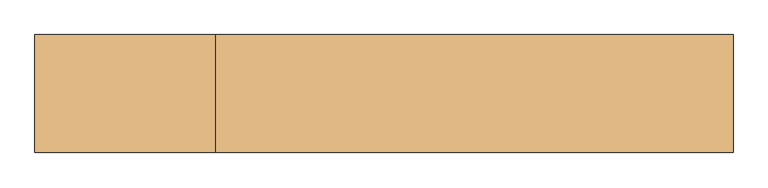
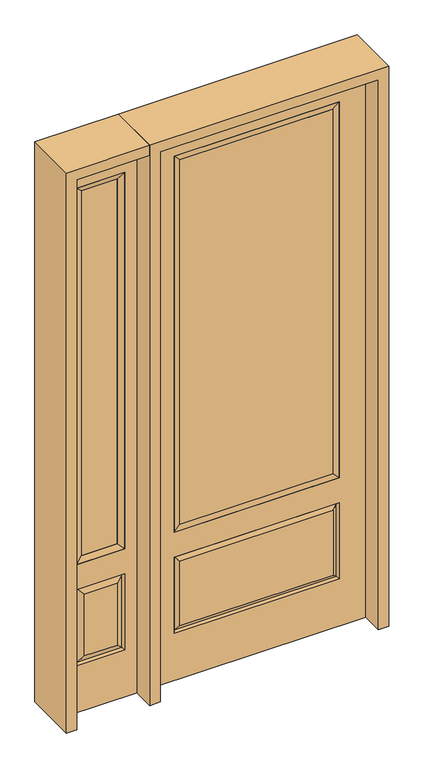
"""IFC4 building model written with IfcOpenShell, lengths in millimetres: door geometry."""

from ifc_helpers import new_model, si_unit, frame, origin, place, context, project, spatial, polyline, outline, extrude, faceted_brep, source, transform, mapped, element, save


def door_937ac8db(model_context):
    return source(origin(), model_context, "Body", "SolidModel", [
        faceted_brep([(-806.45, -22.225, 0.0), (-501.65, -22.225, 0.0), (-501.65, -22.225, 2438.4), (-806.45, -22.225, 2438.4), (-553.72, -22.225, 2325.624), (-553.72, -22.225, 657.098), (-754.38, -22.225, 657.098), (-754.38, -22.225, 2325.624), (-553.72, -22.225, 209.55), (-754.38, -22.225, 209.55), (-754.38, -22.225, 546.1), (-553.72, -22.225, 546.1), (-722.6648999, -22.225, 241.2651001), (-585.4351001, -22.225, 241.2651001), (-585.4351001, -22.225, 514.3848999), (-722.6648999, -22.225, 514.3848999), (-806.45, 22.225, 0.0), (-806.45, 22.225, 2438.4), (-501.65, 22.225, 2438.4), (-501.65, 22.225, 0.0), (-553.72, 22.225, 2325.624), (-754.38, 22.225, 2325.624), (-754.38, 22.225, 657.098), (-553.72, 22.225, 657.098), (-754.38, 22.225, 209.55), (-553.72, 22.225, 209.55), (-553.72, 22.225, 546.1), (-754.38, 22.225, 546.1), (-585.4351001, 22.225, 241.2651001), (-722.6648999, 22.225, 241.2651001), (-722.6648999, 22.225, 514.3848999), (-585.4351001, 22.225, 514.3848999), (-560.8288501, 12.7912373, 216.6588501), (-747.2711499, 12.7912373, 216.6588501), (-747.2711499, 12.7912373, 538.9911499), (-560.8288501, 12.7912373, 538.9911499), (-747.2711499, -12.7912373, 216.6588501), (-560.8288501, -12.7912373, 216.6588501), (-747.2711499, -12.7912373, 538.9911499), (-560.8288501, -12.7912373, 538.9911499)], [[[0, 1, 2, 3], [4, 5, 6, 7], [8, 9, 10, 11]], [[12, 13, 14, 15]], [[16, 17, 18, 19], [20, 21, 22, 23], [24, 25, 26, 27]], [[28, 29, 30, 31]], [[1, 0, 16, 19]], [[2, 1, 19, 18]], [[3, 2, 18, 17]], [[0, 3, 17, 16]], [[5, 4, 20, 23]], [[6, 5, 23, 22]], [[7, 6, 22, 21]], [[4, 7, 21, 20]], [[32, 33, 29, 28]], [[33, 32, 25, 24]], [[29, 33, 34, 30]], [[33, 24, 27, 34]], [[30, 34, 35, 31]], [[34, 27, 26, 35]], [[32, 28, 31, 35]], [[25, 32, 35, 26]], [[12, 36, 37, 13]], [[37, 36, 9, 8]], [[36, 12, 15, 38]], [[9, 36, 38, 10]], [[38, 15, 14, 39]], [[10, 38, 39, 11]], [[13, 37, 39, 14]], [[37, 8, 11, 39]]]),
        faceted_brep([(-754.38, 22.225, 2325.624), (-754.38, -22.225, 2325.624), (-553.72, -22.225, 2325.624), (-553.72, 22.225, 2325.624), (-728.98, 12.7, 2300.224), (-579.12, 12.7, 2300.224), (-728.98, -12.7, 2300.224), (-579.12, -12.7, 2300.224), (-553.72, -22.225, 657.098), (-553.72, 22.225, 657.098), (-579.12, 12.7, 682.498), (-579.12, -12.7, 682.498), (-754.38, -22.225, 657.098), (-754.38, 22.225, 657.098), (-728.98, 12.7, 682.498), (-728.98, -12.7, 682.498)], [[[0, 1, 2, 3]], [[4, 0, 3, 5]], [[6, 4, 5, 7]], [[1, 6, 7, 2]], [[3, 2, 8, 9]], [[5, 3, 9, 10]], [[7, 5, 10, 11]], [[2, 7, 11, 8]], [[9, 8, 12, 13]], [[10, 9, 13, 14]], [[11, 10, 14, 15]], [[8, 11, 15, 12]], [[13, 12, 1, 0]], [[14, 13, 0, 4]], [[15, 14, 4, 6]], [[12, 15, 6, 1]]]),
        extrude(outline(polyline([(-579.12, -12.7), (-728.98, -12.7), (-728.98, 12.7), (-579.12, 12.7), (-579.12, -12.7)])), frame((0.0, 0.0, 682.498), z_axis=(0.0, 0.0, 1.0), x_axis=(1.0, 0.0, 0.0)), (0.0, 0.0, 1.0), 1617.726),
        extrude(outline(polyline([(320.675, -20.32), (-320.675, -20.32), (-320.675, 5.08), (320.675, 5.08), (320.675, -20.32)])), frame((0.0, 0.0, 682.498), z_axis=(0.0, 0.0, 1.0), x_axis=(1.0, 0.0, 0.0)), (0.0, 0.0, 1.0), 1616.202),
        faceted_brep([(-338.9661499, -12.7912373, 216.6588501), (338.9661499, -12.7912373, 216.6588501), (321.46875, -22.225, 234.15625), (-321.46875, -22.225, 234.15625), (-346.075, -22.225, 209.55), (346.075, -22.225, 209.55), (-338.9661499, -12.7912373, 538.9911499), (-346.075, -22.225, 546.1), (321.46875, -22.225, 521.49375), (-321.46875, -22.225, 521.49375), (457.2, -22.225, 2438.4), (-457.2, -22.225, 2438.4), (-457.2, -22.225, 0.0), (457.2, -22.225, 0.0), (346.075, -22.225, 546.1), (346.075, -22.225, 2324.1), (346.075, -22.225, 657.098), (-346.075, -22.225, 657.098), (-346.075, -22.225, 2324.1), (338.9661499, -12.7912373, 538.9911499), (-457.2, 22.225, 2438.4), (-457.2, 22.225, 0.0), (457.2, 22.225, 0.0), (457.2, 22.225, 2438.4), (346.075, 22.225, 2324.1), (346.075, 22.225, 657.098), (-346.075, 22.225, 657.098), (-346.075, 22.225, 2324.1), (-346.075, 22.225, 209.55), (346.075, 22.225, 209.55), (346.075, 22.225, 546.1), (-346.075, 22.225, 546.1), (321.46875, 22.225, 234.15625), (-321.46875, 22.225, 234.15625), (-321.46875, 22.225, 521.49375), (321.46875, 22.225, 521.49375), (-338.9661499, 12.7912373, 216.6588501), (338.9661499, 12.7912373, 216.6588501), (338.9661499, 12.7912373, 538.9911499), (-338.9661499, 12.7912373, 538.9911499)], [[[0, 1, 2, 3]], [[1, 0, 4, 5]], [[4, 0, 6, 7]], [[3, 2, 8, 9]], [[10, 11, 12, 13], [5, 4, 7, 14], [15, 16, 17, 18]], [[1, 5, 14, 19]], [[2, 1, 19, 8]], [[0, 3, 9, 6]], [[7, 6, 19, 14]], [[6, 9, 8, 19]], [[12, 11, 20, 21]], [[13, 12, 21, 22]], [[10, 13, 22, 23]], [[16, 15, 24, 25]], [[17, 16, 25, 26]], [[18, 17, 26, 27]], [[23, 22, 21, 20], [28, 29, 30, 31], [24, 27, 26, 25]], [[32, 33, 34, 35]], [[28, 36, 37, 29]], [[29, 37, 38, 30]], [[39, 31, 30, 38]], [[36, 28, 31, 39]], [[37, 36, 33, 32]], [[33, 36, 39, 34]], [[34, 39, 38, 35]], [[37, 32, 35, 38]], [[11, 10, 23, 20]], [[15, 18, 27, 24]]]),
        faceted_brep([(-346.075, -22.225, 2324.1), (-346.075, 22.225, 2324.1), (-346.075, 22.225, 657.098), (-346.075, -22.225, 657.098), (346.075, 22.225, 657.098), (346.075, -22.225, 657.098), (-320.675, 5.08, 682.498), (320.675, 5.08, 682.498), (346.075, 22.225, 2324.1), (346.075, -22.225, 2324.1), (-320.675, -20.32, 682.498), (320.675, -20.32, 682.498), (-320.675, -20.32, 2298.7), (320.675, -20.32, 2298.7), (-320.675, 5.08, 2298.7), (320.675, 5.08, 2298.7)], [[[0, 1, 2, 3]], [[3, 2, 4, 5]], [[2, 6, 7, 4]], [[5, 4, 8, 9]], [[10, 3, 5, 11]], [[12, 0, 3, 10]], [[11, 5, 9, 13]], [[6, 10, 11, 7]], [[14, 12, 10, 6]], [[7, 11, 13, 15]], [[1, 14, 6, 2]], [[4, 7, 15, 8]], [[9, 8, 1, 0]], [[13, 9, 0, 12]], [[15, 13, 12, 14]], [[8, 15, 14, 1]]]),
        extrude(outline(polyline([(2438.4, -501.65), (2482.85, -501.65), (2482.85, -850.9), (0.0, -850.9), (0.0, -806.45), (2438.4, -806.45), (2438.4, -501.65)])), frame((0.0, -114.3, 0.0), z_axis=(0.0, 1.0, 0.0), x_axis=(0.0, 0.0, 1.0)), (0.0, 0.0, 1.0), 228.6),
        extrude(outline(polyline([(2482.85, -501.65), (0.0, -501.65), (0.0, -457.2), (2438.4, -457.2), (2438.4, 457.2), (0.0, 457.2), (0.0, 501.65), (2482.85, 501.65), (2482.85, -501.65)])), frame((0.0, -114.3, 0.0), z_axis=(0.0, 1.0, 0.0), x_axis=(0.0, 0.0, 1.0)), (0.0, 0.0, 1.0), 228.6),
    ])


if __name__ == "__main__":
    model = new_model("IFC4")
    model_context = context("Model", 3, world=origin())
    ifc_project = project(units=[si_unit("LENGTHUNIT", "METRE", prefix="MILLI")], contexts=[model_context])
    site = spatial("IfcSite", under=ifc_project)
    building = spatial("IfcBuilding", under=site)
    placement = place(None, origin())
    door_shape = door_937ac8db(model_context)
    element("IfcDoor", 1, at=placement, inside=building, context=model_context, shape_type="MappedRepresentation", body=[
        mapped(door_shape, transform((0.0, 0.0, 0.0), x_axis=(1.0, 0.0, 0.0), y_axis=(0.0, 1.0, 0.0), z_axis=(0.0, 0.0, 1.0))),
    ])
    save(model, "model.ifc")
